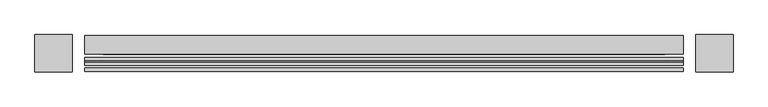
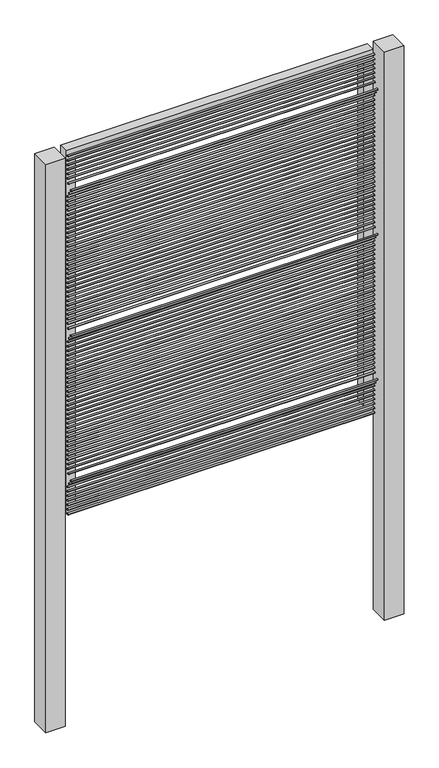
"""IFC4 building model written with IfcOpenShell, lengths in millimetres: railing geometry."""

from ifc_helpers import new_model, si_unit, point, frame, frame_2d, origin, place, context, project, spatial, polyline, circle_curve, trimmed, segment, composite_curve, outline, extrude, source, transform, mapped, element, save


def railing_cc1b6661(model_context):
    return source(origin(), model_context, "Body", "SweptSolid", [
        extrude(outline(composite_curve([segment(trimmed(circle_curve(frame_2d((13579.8304142, 28.575)), 3.175), [point((13576.6554142, 28.575))], [point((13583.0054142, 28.575))], False, "CARTESIAN"), True, "CONTINUOUS"), segment(trimmed(circle_curve(frame_2d((13579.8304142, 28.575)), 3.175), [point((13583.0054142, 28.575))], [point((13576.6554142, 28.575))], False, "CARTESIAN"), True, "CONTINUOUS")], self_intersect=False)), frame((-18083.7806958, 0.0, 0.0), z_axis=(1.0, 0.0, 0.0), x_axis=(0.0, 1.0, 0.0)), (0.0, 0.0, 1.0), 1219.2),
        extrude(outline(composite_curve([segment(trimmed(circle_curve(frame_2d((13579.8304142, 47.625)), 3.175), [point((13576.6554142, 47.625))], [point((13583.0054142, 47.625))], False, "CARTESIAN"), True, "CONTINUOUS"), segment(trimmed(circle_curve(frame_2d((13579.8304142, 47.625)), 3.175), [point((13583.0054142, 47.625))], [point((13576.6554142, 47.625))], False, "CARTESIAN"), True, "CONTINUOUS")], self_intersect=False)), frame((-18083.7806958, 0.0, 0.0), z_axis=(1.0, 0.0, 0.0), x_axis=(0.0, 1.0, 0.0)), (0.0, 0.0, 1.0), 1219.2),
        extrude(outline(composite_curve([segment(trimmed(circle_curve(frame_2d((13579.8304142, 66.675)), 3.175), [point((13576.6554142, 66.675))], [point((13583.0054142, 66.675))], False, "CARTESIAN"), True, "CONTINUOUS"), segment(trimmed(circle_curve(frame_2d((13579.8304142, 66.675)), 3.175), [point((13583.0054142, 66.675))], [point((13576.6554142, 66.675))], False, "CARTESIAN"), True, "CONTINUOUS")], self_intersect=False)), frame((-18083.7806958, 0.0, 0.0), z_axis=(1.0, 0.0, 0.0), x_axis=(0.0, 1.0, 0.0)), (0.0, 0.0, 1.0), 1219.2),
        extrude(outline(composite_curve([segment(trimmed(circle_curve(frame_2d((13579.8304142, 85.725)), 3.175), [point((13576.6554142, 85.725))], [point((13583.0054142, 85.725))], False, "CARTESIAN"), True, "CONTINUOUS"), segment(trimmed(circle_curve(frame_2d((13579.8304142, 85.725)), 3.175), [point((13583.0054142, 85.725))], [point((13576.6554142, 85.725))], False, "CARTESIAN"), True, "CONTINUOUS")], self_intersect=False)), frame((-18083.7806958, 0.0, 0.0), z_axis=(1.0, 0.0, 0.0), x_axis=(0.0, 1.0, 0.0)), (0.0, 0.0, 1.0), 1219.2),
        extrude(outline(composite_curve([segment(trimmed(circle_curve(frame_2d((13579.8304142, 104.775)), 3.175), [point((13576.6554142, 104.775))], [point((13583.0054142, 104.775))], False, "CARTESIAN"), True, "CONTINUOUS"), segment(trimmed(circle_curve(frame_2d((13579.8304142, 104.775)), 3.175), [point((13583.0054142, 104.775))], [point((13576.6554142, 104.775))], False, "CARTESIAN"), True, "CONTINUOUS")], self_intersect=False)), frame((-18083.7806958, 0.0, 0.0), z_axis=(1.0, 0.0, 0.0), x_axis=(0.0, 1.0, 0.0)), (0.0, 0.0, 1.0), 1219.2),
        extrude(outline(composite_curve([segment(trimmed(circle_curve(frame_2d((13579.8304142, 123.825)), 3.175), [point((13576.6554142, 123.825))], [point((13583.0054142, 123.825))], False, "CARTESIAN"), True, "CONTINUOUS"), segment(trimmed(circle_curve(frame_2d((13579.8304142, 123.825)), 3.175), [point((13583.0054142, 123.825))], [point((13576.6554142, 123.825))], False, "CARTESIAN"), True, "CONTINUOUS")], self_intersect=False)), frame((-18083.7806958, 0.0, 0.0), z_axis=(1.0, 0.0, 0.0), x_axis=(0.0, 1.0, 0.0)), (0.0, 0.0, 1.0), 1219.2),
        extrude(outline(composite_curve([segment(trimmed(circle_curve(frame_2d((13579.8304142, 142.875)), 3.175), [point((13576.6554142, 142.875))], [point((13583.0054142, 142.875))], False, "CARTESIAN"), True, "CONTINUOUS"), segment(trimmed(circle_curve(frame_2d((13579.8304142, 142.875)), 3.175), [point((13583.0054142, 142.875))], [point((13576.6554142, 142.875))], False, "CARTESIAN"), True, "CONTINUOUS")], self_intersect=False)), frame((-18083.7806958, 0.0, 0.0), z_axis=(1.0, 0.0, 0.0), x_axis=(0.0, 1.0, 0.0)), (0.0, 0.0, 1.0), 1219.2),
        extrude(outline(composite_curve([segment(trimmed(circle_curve(frame_2d((13570.1771382, 161.925)), 3.175), [point((13567.0021382, 161.925))], [point((13573.3521382, 161.925))], False, "CARTESIAN"), True, "CONTINUOUS"), segment(trimmed(circle_curve(frame_2d((13570.1771382, 161.925)), 3.175), [point((13573.3521382, 161.925))], [point((13567.0021382, 161.925))], False, "CARTESIAN"), True, "CONTINUOUS")], self_intersect=False)), frame((-18083.7806958, 0.0, 0.0), z_axis=(1.0, 0.0, 0.0), x_axis=(0.0, 1.0, 0.0)), (0.0, 0.0, 1.0), 1219.2),
        extrude(outline(composite_curve([segment(trimmed(circle_curve(frame_2d((13557.4771382, 180.975)), 3.175), [point((13554.3021382, 180.975))], [point((13560.6521382, 180.975))], False, "CARTESIAN"), True, "CONTINUOUS"), segment(trimmed(circle_curve(frame_2d((13557.4771382, 180.975)), 3.175), [point((13560.6521382, 180.975))], [point((13554.3021382, 180.975))], False, "CARTESIAN"), True, "CONTINUOUS")], self_intersect=False)), frame((-18083.7806958, 0.0, 0.0), z_axis=(1.0, 0.0, 0.0), x_axis=(0.0, 1.0, 0.0)), (0.0, 0.0, 1.0), 1219.2),
        extrude(outline(composite_curve([segment(trimmed(circle_curve(frame_2d((13576.2585392, 200.025)), 3.175), [point((13573.0835392, 200.025))], [point((13579.4335392, 200.025))], False, "CARTESIAN"), True, "CONTINUOUS"), segment(trimmed(circle_curve(frame_2d((13576.2585392, 200.025)), 3.175), [point((13579.4335392, 200.025))], [point((13573.0835392, 200.025))], False, "CARTESIAN"), True, "CONTINUOUS")], self_intersect=False)), frame((-18083.7806958, 0.0, 0.0), z_axis=(1.0, 0.0, 0.0), x_axis=(0.0, 1.0, 0.0)), (0.0, 0.0, 1.0), 1219.2),
        extrude(outline(composite_curve([segment(trimmed(circle_curve(frame_2d((13579.8304142, 219.075)), 3.175), [point((13576.6554142, 219.075))], [point((13583.0054142, 219.075))], False, "CARTESIAN"), True, "CONTINUOUS"), segment(trimmed(circle_curve(frame_2d((13579.8304142, 219.075)), 3.175), [point((13583.0054142, 219.075))], [point((13576.6554142, 219.075))], False, "CARTESIAN"), True, "CONTINUOUS")], self_intersect=False)), frame((-18083.7806958, 0.0, 0.0), z_axis=(1.0, 0.0, 0.0), x_axis=(0.0, 1.0, 0.0)), (0.0, 0.0, 1.0), 1219.2),
        extrude(outline(composite_curve([segment(trimmed(circle_curve(frame_2d((13579.8304142, 238.125)), 3.175), [point((13576.6554142, 238.125))], [point((13583.0054142, 238.125))], False, "CARTESIAN"), True, "CONTINUOUS"), segment(trimmed(circle_curve(frame_2d((13579.8304142, 238.125)), 3.175), [point((13583.0054142, 238.125))], [point((13576.6554142, 238.125))], False, "CARTESIAN"), True, "CONTINUOUS")], self_intersect=False)), frame((-18083.7806958, 0.0, 0.0), z_axis=(1.0, 0.0, 0.0), x_axis=(0.0, 1.0, 0.0)), (0.0, 0.0, 1.0), 1219.2),
        extrude(outline(composite_curve([segment(trimmed(circle_curve(frame_2d((13579.8304142, 257.175)), 3.175), [point((13576.6554142, 257.175))], [point((13583.0054142, 257.175))], False, "CARTESIAN"), True, "CONTINUOUS"), segment(trimmed(circle_curve(frame_2d((13579.8304142, 257.175)), 3.175), [point((13583.0054142, 257.175))], [point((13576.6554142, 257.175))], False, "CARTESIAN"), True, "CONTINUOUS")], self_intersect=False)), frame((-18083.7806958, 0.0, 0.0), z_axis=(1.0, 0.0, 0.0), x_axis=(0.0, 1.0, 0.0)), (0.0, 0.0, 1.0), 1219.2),
        extrude(outline(composite_curve([segment(trimmed(circle_curve(frame_2d((13579.8304142, 276.225)), 3.175), [point((13576.6554142, 276.225))], [point((13583.0054142, 276.225))], False, "CARTESIAN"), True, "CONTINUOUS"), segment(trimmed(circle_curve(frame_2d((13579.8304142, 276.225)), 3.175), [point((13583.0054142, 276.225))], [point((13576.6554142, 276.225))], False, "CARTESIAN"), True, "CONTINUOUS")], self_intersect=False)), frame((-18083.7806958, 0.0, 0.0), z_axis=(1.0, 0.0, 0.0), x_axis=(0.0, 1.0, 0.0)), (0.0, 0.0, 1.0), 1219.2),
        extrude(outline(composite_curve([segment(trimmed(circle_curve(frame_2d((13579.8304142, 295.275)), 3.175), [point((13576.6554142, 295.275))], [point((13583.0054142, 295.275))], False, "CARTESIAN"), True, "CONTINUOUS"), segment(trimmed(circle_curve(frame_2d((13579.8304142, 295.275)), 3.175), [point((13583.0054142, 295.275))], [point((13576.6554142, 295.275))], False, "CARTESIAN"), True, "CONTINUOUS")], self_intersect=False)), frame((-18083.7806958, 0.0, 0.0), z_axis=(1.0, 0.0, 0.0), x_axis=(0.0, 1.0, 0.0)), (0.0, 0.0, 1.0), 1219.2),
        extrude(outline(composite_curve([segment(trimmed(circle_curve(frame_2d((13579.8304142, 314.325)), 3.175), [point((13576.6554142, 314.325))], [point((13583.0054142, 314.325))], False, "CARTESIAN"), True, "CONTINUOUS"), segment(trimmed(circle_curve(frame_2d((13579.8304142, 314.325)), 3.175), [point((13583.0054142, 314.325))], [point((13576.6554142, 314.325))], False, "CARTESIAN"), True, "CONTINUOUS")], self_intersect=False)), frame((-18083.7806958, 0.0, 0.0), z_axis=(1.0, 0.0, 0.0), x_axis=(0.0, 1.0, 0.0)), (0.0, 0.0, 1.0), 1219.2),
        extrude(outline(composite_curve([segment(trimmed(circle_curve(frame_2d((13579.8304142, 333.375)), 3.175), [point((13576.6554142, 333.375))], [point((13583.0054142, 333.375))], False, "CARTESIAN"), True, "CONTINUOUS"), segment(trimmed(circle_curve(frame_2d((13579.8304142, 333.375)), 3.175), [point((13583.0054142, 333.375))], [point((13576.6554142, 333.375))], False, "CARTESIAN"), True, "CONTINUOUS")], self_intersect=False)), frame((-18083.7806958, 0.0, 0.0), z_axis=(1.0, 0.0, 0.0), x_axis=(0.0, 1.0, 0.0)), (0.0, 0.0, 1.0), 1219.2),
        extrude(outline(composite_curve([segment(trimmed(circle_curve(frame_2d((13579.8304142, 352.425)), 3.175), [point((13576.6554142, 352.425))], [point((13583.0054142, 352.425))], False, "CARTESIAN"), True, "CONTINUOUS"), segment(trimmed(circle_curve(frame_2d((13579.8304142, 352.425)), 3.175), [point((13583.0054142, 352.425))], [point((13576.6554142, 352.425))], False, "CARTESIAN"), True, "CONTINUOUS")], self_intersect=False)), frame((-18083.7806958, 0.0, 0.0), z_axis=(1.0, 0.0, 0.0), x_axis=(0.0, 1.0, 0.0)), (0.0, 0.0, 1.0), 1219.2),
        extrude(outline(composite_curve([segment(trimmed(circle_curve(frame_2d((13579.8304142, 371.475)), 3.175), [point((13576.6554142, 371.475))], [point((13583.0054142, 371.475))], False, "CARTESIAN"), True, "CONTINUOUS"), segment(trimmed(circle_curve(frame_2d((13579.8304142, 371.475)), 3.175), [point((13583.0054142, 371.475))], [point((13576.6554142, 371.475))], False, "CARTESIAN"), True, "CONTINUOUS")], self_intersect=False)), frame((-18083.7806958, 0.0, 0.0), z_axis=(1.0, 0.0, 0.0), x_axis=(0.0, 1.0, 0.0)), (0.0, 0.0, 1.0), 1219.2),
        extrude(outline(composite_curve([segment(trimmed(circle_curve(frame_2d((13579.8304142, 390.525)), 3.175), [point((13576.6554142, 390.525))], [point((13583.0054142, 390.525))], False, "CARTESIAN"), True, "CONTINUOUS"), segment(trimmed(circle_curve(frame_2d((13579.8304142, 390.525)), 3.175), [point((13583.0054142, 390.525))], [point((13576.6554142, 390.525))], False, "CARTESIAN"), True, "CONTINUOUS")], self_intersect=False)), frame((-18083.7806958, 0.0, 0.0), z_axis=(1.0, 0.0, 0.0), x_axis=(0.0, 1.0, 0.0)), (0.0, 0.0, 1.0), 1219.2),
        extrude(outline(composite_curve([segment(trimmed(circle_curve(frame_2d((13579.8304142, 409.575)), 3.175), [point((13576.6554142, 409.575))], [point((13583.0054142, 409.575))], False, "CARTESIAN"), True, "CONTINUOUS"), segment(trimmed(circle_curve(frame_2d((13579.8304142, 409.575)), 3.175), [point((13583.0054142, 409.575))], [point((13576.6554142, 409.575))], False, "CARTESIAN"), True, "CONTINUOUS")], self_intersect=False)), frame((-18083.7806958, 0.0, 0.0), z_axis=(1.0, 0.0, 0.0), x_axis=(0.0, 1.0, 0.0)), (0.0, 0.0, 1.0), 1219.2),
        extrude(outline(composite_curve([segment(trimmed(circle_curve(frame_2d((13579.8304142, 428.625)), 3.175), [point((13576.6554142, 428.625))], [point((13583.0054142, 428.625))], False, "CARTESIAN"), True, "CONTINUOUS"), segment(trimmed(circle_curve(frame_2d((13579.8304142, 428.625)), 3.175), [point((13583.0054142, 428.625))], [point((13576.6554142, 428.625))], False, "CARTESIAN"), True, "CONTINUOUS")], self_intersect=False)), frame((-18083.7806958, 0.0, 0.0), z_axis=(1.0, 0.0, 0.0), x_axis=(0.0, 1.0, 0.0)), (0.0, 0.0, 1.0), 1219.2),
        extrude(outline(composite_curve([segment(trimmed(circle_curve(frame_2d((13579.8304142, 447.675)), 3.175), [point((13576.6554142, 447.675))], [point((13583.0054142, 447.675))], False, "CARTESIAN"), True, "CONTINUOUS"), segment(trimmed(circle_curve(frame_2d((13579.8304142, 447.675)), 3.175), [point((13583.0054142, 447.675))], [point((13576.6554142, 447.675))], False, "CARTESIAN"), True, "CONTINUOUS")], self_intersect=False)), frame((-18083.7806958, 0.0, 0.0), z_axis=(1.0, 0.0, 0.0), x_axis=(0.0, 1.0, 0.0)), (0.0, 0.0, 1.0), 1219.2),
        extrude(outline(composite_curve([segment(trimmed(circle_curve(frame_2d((13579.8304142, 466.725)), 3.175), [point((13576.6554142, 466.725))], [point((13583.0054142, 466.725))], False, "CARTESIAN"), True, "CONTINUOUS"), segment(trimmed(circle_curve(frame_2d((13579.8304142, 466.725)), 3.175), [point((13583.0054142, 466.725))], [point((13576.6554142, 466.725))], False, "CARTESIAN"), True, "CONTINUOUS")], self_intersect=False)), frame((-18083.7806958, 0.0, 0.0), z_axis=(1.0, 0.0, 0.0), x_axis=(0.0, 1.0, 0.0)), (0.0, 0.0, 1.0), 1219.2),
        extrude(outline(composite_curve([segment(trimmed(circle_curve(frame_2d((13579.8304142, 485.775)), 3.175), [point((13576.6554142, 485.775))], [point((13583.0054142, 485.775))], False, "CARTESIAN"), True, "CONTINUOUS"), segment(trimmed(circle_curve(frame_2d((13579.8304142, 485.775)), 3.175), [point((13583.0054142, 485.775))], [point((13576.6554142, 485.775))], False, "CARTESIAN"), True, "CONTINUOUS")], self_intersect=False)), frame((-18083.7806958, 0.0, 0.0), z_axis=(1.0, 0.0, 0.0), x_axis=(0.0, 1.0, 0.0)), (0.0, 0.0, 1.0), 1219.2),
        extrude(outline(composite_curve([segment(trimmed(circle_curve(frame_2d((13579.8304142, 504.825)), 3.175), [point((13576.6554142, 504.825))], [point((13583.0054142, 504.825))], False, "CARTESIAN"), True, "CONTINUOUS"), segment(trimmed(circle_curve(frame_2d((13579.8304142, 504.825)), 3.175), [point((13583.0054142, 504.825))], [point((13576.6554142, 504.825))], False, "CARTESIAN"), True, "CONTINUOUS")], self_intersect=False)), frame((-18083.7806958, 0.0, 0.0), z_axis=(1.0, 0.0, 0.0), x_axis=(0.0, 1.0, 0.0)), (0.0, 0.0, 1.0), 1219.2),
        extrude(outline(composite_curve([segment(trimmed(circle_curve(frame_2d((13579.8304142, 523.875)), 3.175), [point((13576.6554142, 523.875))], [point((13583.0054142, 523.875))], False, "CARTESIAN"), True, "CONTINUOUS"), segment(trimmed(circle_curve(frame_2d((13579.8304142, 523.875)), 3.175), [point((13583.0054142, 523.875))], [point((13576.6554142, 523.875))], False, "CARTESIAN"), True, "CONTINUOUS")], self_intersect=False)), frame((-18083.7806958, 0.0, 0.0), z_axis=(1.0, 0.0, 0.0), x_axis=(0.0, 1.0, 0.0)), (0.0, 0.0, 1.0), 1219.2),
        extrude(outline(composite_curve([segment(trimmed(circle_curve(frame_2d((13579.8304142, 542.925)), 3.175), [point((13576.6554142, 542.925))], [point((13583.0054142, 542.925))], False, "CARTESIAN"), True, "CONTINUOUS"), segment(trimmed(circle_curve(frame_2d((13579.8304142, 542.925)), 3.175), [point((13583.0054142, 542.925))], [point((13576.6554142, 542.925))], False, "CARTESIAN"), True, "CONTINUOUS")], self_intersect=False)), frame((-18083.7806958, 0.0, 0.0), z_axis=(1.0, 0.0, 0.0), x_axis=(0.0, 1.0, 0.0)), (0.0, 0.0, 1.0), 1219.2),
        extrude(outline(composite_curve([segment(trimmed(circle_curve(frame_2d((13579.8304142, 561.975)), 3.175), [point((13576.6554142, 561.975))], [point((13583.0054142, 561.975))], False, "CARTESIAN"), True, "CONTINUOUS"), segment(trimmed(circle_curve(frame_2d((13579.8304142, 561.975)), 3.175), [point((13583.0054142, 561.975))], [point((13576.6554142, 561.975))], False, "CARTESIAN"), True, "CONTINUOUS")], self_intersect=False)), frame((-18083.7806958, 0.0, 0.0), z_axis=(1.0, 0.0, 0.0), x_axis=(0.0, 1.0, 0.0)), (0.0, 0.0, 1.0), 1219.2),
        extrude(outline(composite_curve([segment(trimmed(circle_curve(frame_2d((13579.8304142, 581.025)), 3.175), [point((13576.6554142, 581.025))], [point((13583.0054142, 581.025))], False, "CARTESIAN"), True, "CONTINUOUS"), segment(trimmed(circle_curve(frame_2d((13579.8304142, 581.025)), 3.175), [point((13583.0054142, 581.025))], [point((13576.6554142, 581.025))], False, "CARTESIAN"), True, "CONTINUOUS")], self_intersect=False)), frame((-18083.7806958, 0.0, 0.0), z_axis=(1.0, 0.0, 0.0), x_axis=(0.0, 1.0, 0.0)), (0.0, 0.0, 1.0), 1219.2),
        extrude(outline(composite_curve([segment(trimmed(circle_curve(frame_2d((13579.8304142, 600.075)), 3.175), [point((13576.6554142, 600.075))], [point((13583.0054142, 600.075))], False, "CARTESIAN"), True, "CONTINUOUS"), segment(trimmed(circle_curve(frame_2d((13579.8304142, 600.075)), 3.175), [point((13583.0054142, 600.075))], [point((13576.6554142, 600.075))], False, "CARTESIAN"), True, "CONTINUOUS")], self_intersect=False)), frame((-18083.7806958, 0.0, 0.0), z_axis=(1.0, 0.0, 0.0), x_axis=(0.0, 1.0, 0.0)), (0.0, 0.0, 1.0), 1219.2),
        extrude(outline(composite_curve([segment(trimmed(circle_curve(frame_2d((13579.8304142, 619.125)), 3.175), [point((13576.6554142, 619.125))], [point((13583.0054142, 619.125))], False, "CARTESIAN"), True, "CONTINUOUS"), segment(trimmed(circle_curve(frame_2d((13579.8304142, 619.125)), 3.175), [point((13583.0054142, 619.125))], [point((13576.6554142, 619.125))], False, "CARTESIAN"), True, "CONTINUOUS")], self_intersect=False)), frame((-18083.7806958, 0.0, 0.0), z_axis=(1.0, 0.0, 0.0), x_axis=(0.0, 1.0, 0.0)), (0.0, 0.0, 1.0), 1219.2),
        extrude(outline(composite_curve([segment(trimmed(circle_curve(frame_2d((13579.8304142, 638.175)), 3.175), [point((13576.6554142, 638.175))], [point((13583.0054142, 638.175))], False, "CARTESIAN"), True, "CONTINUOUS"), segment(trimmed(circle_curve(frame_2d((13579.8304142, 638.175)), 3.175), [point((13583.0054142, 638.175))], [point((13576.6554142, 638.175))], False, "CARTESIAN"), True, "CONTINUOUS")], self_intersect=False)), frame((-18083.7806958, 0.0, 0.0), z_axis=(1.0, 0.0, 0.0), x_axis=(0.0, 1.0, 0.0)), (0.0, 0.0, 1.0), 1219.2),
        extrude(outline(composite_curve([segment(trimmed(circle_curve(frame_2d((13579.8304142, 657.225)), 3.175), [point((13576.6554142, 657.225))], [point((13583.0054142, 657.225))], False, "CARTESIAN"), True, "CONTINUOUS"), segment(trimmed(circle_curve(frame_2d((13579.8304142, 657.225)), 3.175), [point((13583.0054142, 657.225))], [point((13576.6554142, 657.225))], False, "CARTESIAN"), True, "CONTINUOUS")], self_intersect=False)), frame((-18083.7806958, 0.0, 0.0), z_axis=(1.0, 0.0, 0.0), x_axis=(0.0, 1.0, 0.0)), (0.0, 0.0, 1.0), 1219.2),
        extrude(outline(composite_curve([segment(trimmed(circle_curve(frame_2d((13579.8304142, 676.275)), 3.175), [point((13576.6554142, 676.275))], [point((13583.0054142, 676.275))], False, "CARTESIAN"), True, "CONTINUOUS"), segment(trimmed(circle_curve(frame_2d((13579.8304142, 676.275)), 3.175), [point((13583.0054142, 676.275))], [point((13576.6554142, 676.275))], False, "CARTESIAN"), True, "CONTINUOUS")], self_intersect=False)), frame((-18083.7806958, 0.0, 0.0), z_axis=(1.0, 0.0, 0.0), x_axis=(0.0, 1.0, 0.0)), (0.0, 0.0, 1.0), 1219.2),
        extrude(outline(composite_curve([segment(trimmed(circle_curve(frame_2d((13579.8304142, 695.325)), 3.175), [point((13576.6554142, 695.325))], [point((13583.0054142, 695.325))], False, "CARTESIAN"), True, "CONTINUOUS"), segment(trimmed(circle_curve(frame_2d((13579.8304142, 695.325)), 3.175), [point((13583.0054142, 695.325))], [point((13576.6554142, 695.325))], False, "CARTESIAN"), True, "CONTINUOUS")], self_intersect=False)), frame((-18083.7806958, 0.0, 0.0), z_axis=(1.0, 0.0, 0.0), x_axis=(0.0, 1.0, 0.0)), (0.0, 0.0, 1.0), 1219.2),
        extrude(outline(composite_curve([segment(trimmed(circle_curve(frame_2d((13579.8304142, 714.375)), 3.175), [point((13576.6554142, 714.375))], [point((13583.0054142, 714.375))], False, "CARTESIAN"), True, "CONTINUOUS"), segment(trimmed(circle_curve(frame_2d((13579.8304142, 714.375)), 3.175), [point((13583.0054142, 714.375))], [point((13576.6554142, 714.375))], False, "CARTESIAN"), True, "CONTINUOUS")], self_intersect=False)), frame((-18083.7806958, 0.0, 0.0), z_axis=(1.0, 0.0, 0.0), x_axis=(0.0, 1.0, 0.0)), (0.0, 0.0, 1.0), 1219.2),
        extrude(outline(composite_curve([segment(trimmed(circle_curve(frame_2d((13579.8304142, 733.425)), 3.175), [point((13576.6554142, 733.425))], [point((13583.0054142, 733.425))], False, "CARTESIAN"), True, "CONTINUOUS"), segment(trimmed(circle_curve(frame_2d((13579.8304142, 733.425)), 3.175), [point((13583.0054142, 733.425))], [point((13576.6554142, 733.425))], False, "CARTESIAN"), True, "CONTINUOUS")], self_intersect=False)), frame((-18083.7806958, 0.0, 0.0), z_axis=(1.0, 0.0, 0.0), x_axis=(0.0, 1.0, 0.0)), (0.0, 0.0, 1.0), 1219.2),
        extrude(outline(composite_curve([segment(trimmed(circle_curve(frame_2d((13579.8304142, 752.475)), 3.175), [point((13576.6554142, 752.475))], [point((13583.0054142, 752.475))], False, "CARTESIAN"), True, "CONTINUOUS"), segment(trimmed(circle_curve(frame_2d((13579.8304142, 752.475)), 3.175), [point((13583.0054142, 752.475))], [point((13576.6554142, 752.475))], False, "CARTESIAN"), True, "CONTINUOUS")], self_intersect=False)), frame((-18083.7806958, 0.0, 0.0), z_axis=(1.0, 0.0, 0.0), x_axis=(0.0, 1.0, 0.0)), (0.0, 0.0, 1.0), 1219.2),
        extrude(outline(composite_curve([segment(trimmed(circle_curve(frame_2d((13570.3054142, 771.525)), 3.175), [point((13567.1304142, 771.525))], [point((13573.4804142, 771.525))], False, "CARTESIAN"), True, "CONTINUOUS"), segment(trimmed(circle_curve(frame_2d((13570.3054142, 771.525)), 3.175), [point((13573.4804142, 771.525))], [point((13567.1304142, 771.525))], False, "CARTESIAN"), True, "CONTINUOUS")], self_intersect=False)), frame((-18083.7806958, 0.0, 0.0), z_axis=(1.0, 0.0, 0.0), x_axis=(0.0, 1.0, 0.0)), (0.0, 0.0, 1.0), 1219.2),
        extrude(outline(composite_curve([segment(trimmed(circle_curve(frame_2d((13557.6054142, 790.575)), 3.175), [point((13554.4304142, 790.575))], [point((13560.7804142, 790.575))], False, "CARTESIAN"), True, "CONTINUOUS"), segment(trimmed(circle_curve(frame_2d((13557.6054142, 790.575)), 3.175), [point((13560.7804142, 790.575))], [point((13554.4304142, 790.575))], False, "CARTESIAN"), True, "CONTINUOUS")], self_intersect=False)), frame((-18083.7806958, 0.0, 0.0), z_axis=(1.0, 0.0, 0.0), x_axis=(0.0, 1.0, 0.0)), (0.0, 0.0, 1.0), 1219.2),
        extrude(outline(composite_curve([segment(trimmed(circle_curve(frame_2d((13576.6554142, 809.625)), 3.175), [point((13573.4804142, 809.625))], [point((13579.8304142, 809.625))], False, "CARTESIAN"), True, "CONTINUOUS"), segment(trimmed(circle_curve(frame_2d((13576.6554142, 809.625)), 3.175), [point((13579.8304142, 809.625))], [point((13573.4804142, 809.625))], False, "CARTESIAN"), True, "CONTINUOUS")], self_intersect=False)), frame((-18083.7806958, 0.0, 0.0), z_axis=(1.0, 0.0, 0.0), x_axis=(0.0, 1.0, 0.0)), (0.0, 0.0, 1.0), 1219.2),
        extrude(outline(composite_curve([segment(trimmed(circle_curve(frame_2d((13579.8304142, 828.675)), 3.175), [point((13576.6554142, 828.675))], [point((13583.0054142, 828.675))], False, "CARTESIAN"), True, "CONTINUOUS"), segment(trimmed(circle_curve(frame_2d((13579.8304142, 828.675)), 3.175), [point((13583.0054142, 828.675))], [point((13576.6554142, 828.675))], False, "CARTESIAN"), True, "CONTINUOUS")], self_intersect=False)), frame((-18083.7806958, 0.0, 0.0), z_axis=(1.0, 0.0, 0.0), x_axis=(0.0, 1.0, 0.0)), (0.0, 0.0, 1.0), 1219.2),
        extrude(outline(composite_curve([segment(trimmed(circle_curve(frame_2d((13579.8304142, 847.725)), 3.175), [point((13576.6554142, 847.725))], [point((13583.0054142, 847.725))], False, "CARTESIAN"), True, "CONTINUOUS"), segment(trimmed(circle_curve(frame_2d((13579.8304142, 847.725)), 3.175), [point((13583.0054142, 847.725))], [point((13576.6554142, 847.725))], False, "CARTESIAN"), True, "CONTINUOUS")], self_intersect=False)), frame((-18083.7806958, 0.0, 0.0), z_axis=(1.0, 0.0, 0.0), x_axis=(0.0, 1.0, 0.0)), (0.0, 0.0, 1.0), 1219.2),
        extrude(outline(composite_curve([segment(trimmed(circle_curve(frame_2d((13579.8304142, 866.775)), 3.175), [point((13576.6554142, 866.775))], [point((13583.0054142, 866.775))], False, "CARTESIAN"), True, "CONTINUOUS"), segment(trimmed(circle_curve(frame_2d((13579.8304142, 866.775)), 3.175), [point((13583.0054142, 866.775))], [point((13576.6554142, 866.775))], False, "CARTESIAN"), True, "CONTINUOUS")], self_intersect=False)), frame((-18083.7806958, 0.0, 0.0), z_axis=(1.0, 0.0, 0.0), x_axis=(0.0, 1.0, 0.0)), (0.0, 0.0, 1.0), 1219.2),
        extrude(outline(composite_curve([segment(trimmed(circle_curve(frame_2d((13579.8304142, 885.825)), 3.175), [point((13576.6554142, 885.825))], [point((13583.0054142, 885.825))], False, "CARTESIAN"), True, "CONTINUOUS"), segment(trimmed(circle_curve(frame_2d((13579.8304142, 885.825)), 3.175), [point((13583.0054142, 885.825))], [point((13576.6554142, 885.825))], False, "CARTESIAN"), True, "CONTINUOUS")], self_intersect=False)), frame((-18083.7806958, 0.0, 0.0), z_axis=(1.0, 0.0, 0.0), x_axis=(0.0, 1.0, 0.0)), (0.0, 0.0, 1.0), 1219.2),
        extrude(outline(composite_curve([segment(trimmed(circle_curve(frame_2d((13579.8304142, 904.875)), 3.175), [point((13576.6554142, 904.875))], [point((13583.0054142, 904.875))], False, "CARTESIAN"), True, "CONTINUOUS"), segment(trimmed(circle_curve(frame_2d((13579.8304142, 904.875)), 3.175), [point((13583.0054142, 904.875))], [point((13576.6554142, 904.875))], False, "CARTESIAN"), True, "CONTINUOUS")], self_intersect=False)), frame((-18083.7806958, 0.0, 0.0), z_axis=(1.0, 0.0, 0.0), x_axis=(0.0, 1.0, 0.0)), (0.0, 0.0, 1.0), 1219.2),
        extrude(outline(composite_curve([segment(trimmed(circle_curve(frame_2d((13579.8304142, 923.925)), 3.175), [point((13576.6554142, 923.925))], [point((13583.0054142, 923.925))], False, "CARTESIAN"), True, "CONTINUOUS"), segment(trimmed(circle_curve(frame_2d((13579.8304142, 923.925)), 3.175), [point((13583.0054142, 923.925))], [point((13576.6554142, 923.925))], False, "CARTESIAN"), True, "CONTINUOUS")], self_intersect=False)), frame((-18083.7806958, 0.0, 0.0), z_axis=(1.0, 0.0, 0.0), x_axis=(0.0, 1.0, 0.0)), (0.0, 0.0, 1.0), 1219.2),
        extrude(outline(composite_curve([segment(trimmed(circle_curve(frame_2d((13579.8304142, 942.975)), 3.175), [point((13576.6554142, 942.975))], [point((13583.0054142, 942.975))], False, "CARTESIAN"), True, "CONTINUOUS"), segment(trimmed(circle_curve(frame_2d((13579.8304142, 942.975)), 3.175), [point((13583.0054142, 942.975))], [point((13576.6554142, 942.975))], False, "CARTESIAN"), True, "CONTINUOUS")], self_intersect=False)), frame((-18083.7806958, 0.0, 0.0), z_axis=(1.0, 0.0, 0.0), x_axis=(0.0, 1.0, 0.0)), (0.0, 0.0, 1.0), 1219.2),
        extrude(outline(composite_curve([segment(trimmed(circle_curve(frame_2d((13579.8304142, 962.025)), 3.175), [point((13576.6554142, 962.025))], [point((13583.0054142, 962.025))], False, "CARTESIAN"), True, "CONTINUOUS"), segment(trimmed(circle_curve(frame_2d((13579.8304142, 962.025)), 3.175), [point((13583.0054142, 962.025))], [point((13576.6554142, 962.025))], False, "CARTESIAN"), True, "CONTINUOUS")], self_intersect=False)), frame((-18083.7806958, 0.0, 0.0), z_axis=(1.0, 0.0, 0.0), x_axis=(0.0, 1.0, 0.0)), (0.0, 0.0, 1.0), 1219.2),
        extrude(outline(composite_curve([segment(trimmed(circle_curve(frame_2d((13579.8304142, 981.075)), 3.175), [point((13576.6554142, 981.075))], [point((13583.0054142, 981.075))], False, "CARTESIAN"), True, "CONTINUOUS"), segment(trimmed(circle_curve(frame_2d((13579.8304142, 981.075)), 3.175), [point((13583.0054142, 981.075))], [point((13576.6554142, 981.075))], False, "CARTESIAN"), True, "CONTINUOUS")], self_intersect=False)), frame((-18083.7806958, 0.0, 0.0), z_axis=(1.0, 0.0, 0.0), x_axis=(0.0, 1.0, 0.0)), (0.0, 0.0, 1.0), 1219.2),
        extrude(outline(composite_curve([segment(trimmed(circle_curve(frame_2d((13579.8304142, 1000.125)), 3.175), [point((13576.6554142, 1000.125))], [point((13583.0054142, 1000.125))], False, "CARTESIAN"), True, "CONTINUOUS"), segment(trimmed(circle_curve(frame_2d((13579.8304142, 1000.125)), 3.175), [point((13583.0054142, 1000.125))], [point((13576.6554142, 1000.125))], False, "CARTESIAN"), True, "CONTINUOUS")], self_intersect=False)), frame((-18083.7806958, 0.0, 0.0), z_axis=(1.0, 0.0, 0.0), x_axis=(0.0, 1.0, 0.0)), (0.0, 0.0, 1.0), 1219.2),
        extrude(outline(composite_curve([segment(trimmed(circle_curve(frame_2d((13579.8304142, 1019.175)), 3.175), [point((13576.6554142, 1019.175))], [point((13583.0054142, 1019.175))], False, "CARTESIAN"), True, "CONTINUOUS"), segment(trimmed(circle_curve(frame_2d((13579.8304142, 1019.175)), 3.175), [point((13583.0054142, 1019.175))], [point((13576.6554142, 1019.175))], False, "CARTESIAN"), True, "CONTINUOUS")], self_intersect=False)), frame((-18083.7806958, 0.0, 0.0), z_axis=(1.0, 0.0, 0.0), x_axis=(0.0, 1.0, 0.0)), (0.0, 0.0, 1.0), 1219.2),
        extrude(outline(composite_curve([segment(trimmed(circle_curve(frame_2d((13579.8304142, 1038.225)), 3.175), [point((13576.6554142, 1038.225))], [point((13583.0054142, 1038.225))], False, "CARTESIAN"), True, "CONTINUOUS"), segment(trimmed(circle_curve(frame_2d((13579.8304142, 1038.225)), 3.175), [point((13583.0054142, 1038.225))], [point((13576.6554142, 1038.225))], False, "CARTESIAN"), True, "CONTINUOUS")], self_intersect=False)), frame((-18083.7806958, 0.0, 0.0), z_axis=(1.0, 0.0, 0.0), x_axis=(0.0, 1.0, 0.0)), (0.0, 0.0, 1.0), 1219.2),
        extrude(outline(composite_curve([segment(trimmed(circle_curve(frame_2d((13579.8304142, 1057.275)), 3.175), [point((13576.6554142, 1057.275))], [point((13583.0054142, 1057.275))], False, "CARTESIAN"), True, "CONTINUOUS"), segment(trimmed(circle_curve(frame_2d((13579.8304142, 1057.275)), 3.175), [point((13583.0054142, 1057.275))], [point((13576.6554142, 1057.275))], False, "CARTESIAN"), True, "CONTINUOUS")], self_intersect=False)), frame((-18083.7806958, 0.0, 0.0), z_axis=(1.0, 0.0, 0.0), x_axis=(0.0, 1.0, 0.0)), (0.0, 0.0, 1.0), 1219.2),
        extrude(outline(composite_curve([segment(trimmed(circle_curve(frame_2d((13579.8304142, 1076.325)), 3.175), [point((13576.6554142, 1076.325))], [point((13583.0054142, 1076.325))], False, "CARTESIAN"), True, "CONTINUOUS"), segment(trimmed(circle_curve(frame_2d((13579.8304142, 1076.325)), 3.175), [point((13583.0054142, 1076.325))], [point((13576.6554142, 1076.325))], False, "CARTESIAN"), True, "CONTINUOUS")], self_intersect=False)), frame((-18083.7806958, 0.0, 0.0), z_axis=(1.0, 0.0, 0.0), x_axis=(0.0, 1.0, 0.0)), (0.0, 0.0, 1.0), 1219.2),
        extrude(outline(composite_curve([segment(trimmed(circle_curve(frame_2d((13579.8304142, 1095.375)), 3.175), [point((13576.6554142, 1095.375))], [point((13583.0054142, 1095.375))], False, "CARTESIAN"), True, "CONTINUOUS"), segment(trimmed(circle_curve(frame_2d((13579.8304142, 1095.375)), 3.175), [point((13583.0054142, 1095.375))], [point((13576.6554142, 1095.375))], False, "CARTESIAN"), True, "CONTINUOUS")], self_intersect=False)), frame((-18083.7806958, 0.0, 0.0), z_axis=(1.0, 0.0, 0.0), x_axis=(0.0, 1.0, 0.0)), (0.0, 0.0, 1.0), 1219.2),
        extrude(outline(composite_curve([segment(trimmed(circle_curve(frame_2d((13579.8304142, 1114.425)), 3.175), [point((13576.6554142, 1114.425))], [point((13583.0054142, 1114.425))], False, "CARTESIAN"), True, "CONTINUOUS"), segment(trimmed(circle_curve(frame_2d((13579.8304142, 1114.425)), 3.175), [point((13583.0054142, 1114.425))], [point((13576.6554142, 1114.425))], False, "CARTESIAN"), True, "CONTINUOUS")], self_intersect=False)), frame((-18083.7806958, 0.0, 0.0), z_axis=(1.0, 0.0, 0.0), x_axis=(0.0, 1.0, 0.0)), (0.0, 0.0, 1.0), 1219.2),
        extrude(outline(composite_curve([segment(trimmed(circle_curve(frame_2d((13579.8304142, 1133.475)), 3.175), [point((13576.6554142, 1133.475))], [point((13583.0054142, 1133.475))], False, "CARTESIAN"), True, "CONTINUOUS"), segment(trimmed(circle_curve(frame_2d((13579.8304142, 1133.475)), 3.175), [point((13583.0054142, 1133.475))], [point((13576.6554142, 1133.475))], False, "CARTESIAN"), True, "CONTINUOUS")], self_intersect=False)), frame((-18083.7806958, 0.0, 0.0), z_axis=(1.0, 0.0, 0.0), x_axis=(0.0, 1.0, 0.0)), (0.0, 0.0, 1.0), 1219.2),
        extrude(outline(composite_curve([segment(trimmed(circle_curve(frame_2d((13579.8304142, 1152.525)), 3.175), [point((13576.6554142, 1152.525))], [point((13583.0054142, 1152.525))], False, "CARTESIAN"), True, "CONTINUOUS"), segment(trimmed(circle_curve(frame_2d((13579.8304142, 1152.525)), 3.175), [point((13583.0054142, 1152.525))], [point((13576.6554142, 1152.525))], False, "CARTESIAN"), True, "CONTINUOUS")], self_intersect=False)), frame((-18083.7806958, 0.0, 0.0), z_axis=(1.0, 0.0, 0.0), x_axis=(0.0, 1.0, 0.0)), (0.0, 0.0, 1.0), 1219.2),
        extrude(outline(composite_curve([segment(trimmed(circle_curve(frame_2d((13579.8304142, 1171.575)), 3.175), [point((13576.6554142, 1171.575))], [point((13583.0054142, 1171.575))], False, "CARTESIAN"), True, "CONTINUOUS"), segment(trimmed(circle_curve(frame_2d((13579.8304142, 1171.575)), 3.175), [point((13583.0054142, 1171.575))], [point((13576.6554142, 1171.575))], False, "CARTESIAN"), True, "CONTINUOUS")], self_intersect=False)), frame((-18083.7806958, 0.0, 0.0), z_axis=(1.0, 0.0, 0.0), x_axis=(0.0, 1.0, 0.0)), (0.0, 0.0, 1.0), 1219.2),
        extrude(outline(composite_curve([segment(trimmed(circle_curve(frame_2d((13579.8304142, 1190.625)), 3.175), [point((13576.6554142, 1190.625))], [point((13583.0054142, 1190.625))], False, "CARTESIAN"), True, "CONTINUOUS"), segment(trimmed(circle_curve(frame_2d((13579.8304142, 1190.625)), 3.175), [point((13583.0054142, 1190.625))], [point((13576.6554142, 1190.625))], False, "CARTESIAN"), True, "CONTINUOUS")], self_intersect=False)), frame((-18083.7806958, 0.0, 0.0), z_axis=(1.0, 0.0, 0.0), x_axis=(0.0, 1.0, 0.0)), (0.0, 0.0, 1.0), 1219.2),
        extrude(outline(composite_curve([segment(trimmed(circle_curve(frame_2d((13579.8304142, 1209.675)), 3.175), [point((13576.6554142, 1209.675))], [point((13583.0054142, 1209.675))], False, "CARTESIAN"), True, "CONTINUOUS"), segment(trimmed(circle_curve(frame_2d((13579.8304142, 1209.675)), 3.175), [point((13583.0054142, 1209.675))], [point((13576.6554142, 1209.675))], False, "CARTESIAN"), True, "CONTINUOUS")], self_intersect=False)), frame((-18083.7806958, 0.0, 0.0), z_axis=(1.0, 0.0, 0.0), x_axis=(0.0, 1.0, 0.0)), (0.0, 0.0, 1.0), 1219.2),
        extrude(outline(composite_curve([segment(trimmed(circle_curve(frame_2d((13579.8304142, 1228.725)), 3.175), [point((13576.6554142, 1228.725))], [point((13583.0054142, 1228.725))], False, "CARTESIAN"), True, "CONTINUOUS"), segment(trimmed(circle_curve(frame_2d((13579.8304142, 1228.725)), 3.175), [point((13583.0054142, 1228.725))], [point((13576.6554142, 1228.725))], False, "CARTESIAN"), True, "CONTINUOUS")], self_intersect=False)), frame((-18083.7806958, 0.0, 0.0), z_axis=(1.0, 0.0, 0.0), x_axis=(0.0, 1.0, 0.0)), (0.0, 0.0, 1.0), 1219.2),
        extrude(outline(composite_curve([segment(trimmed(circle_curve(frame_2d((13579.8304142, 1247.775)), 3.175), [point((13576.6554142, 1247.775))], [point((13583.0054142, 1247.775))], False, "CARTESIAN"), True, "CONTINUOUS"), segment(trimmed(circle_curve(frame_2d((13579.8304142, 1247.775)), 3.175), [point((13583.0054142, 1247.775))], [point((13576.6554142, 1247.775))], False, "CARTESIAN"), True, "CONTINUOUS")], self_intersect=False)), frame((-18083.7806958, 0.0, 0.0), z_axis=(1.0, 0.0, 0.0), x_axis=(0.0, 1.0, 0.0)), (0.0, 0.0, 1.0), 1219.2),
        extrude(outline(composite_curve([segment(trimmed(circle_curve(frame_2d((13579.8304142, 1266.825)), 3.175), [point((13576.6554142, 1266.825))], [point((13583.0054142, 1266.825))], False, "CARTESIAN"), True, "CONTINUOUS"), segment(trimmed(circle_curve(frame_2d((13579.8304142, 1266.825)), 3.175), [point((13583.0054142, 1266.825))], [point((13576.6554142, 1266.825))], False, "CARTESIAN"), True, "CONTINUOUS")], self_intersect=False)), frame((-18083.7806958, 0.0, 0.0), z_axis=(1.0, 0.0, 0.0), x_axis=(0.0, 1.0, 0.0)), (0.0, 0.0, 1.0), 1219.2),
        extrude(outline(composite_curve([segment(trimmed(circle_curve(frame_2d((13579.8304142, 1285.875)), 3.175), [point((13576.6554142, 1285.875))], [point((13583.0054142, 1285.875))], False, "CARTESIAN"), True, "CONTINUOUS"), segment(trimmed(circle_curve(frame_2d((13579.8304142, 1285.875)), 3.175), [point((13583.0054142, 1285.875))], [point((13576.6554142, 1285.875))], False, "CARTESIAN"), True, "CONTINUOUS")], self_intersect=False)), frame((-18083.7806958, 0.0, 0.0), z_axis=(1.0, 0.0, 0.0), x_axis=(0.0, 1.0, 0.0)), (0.0, 0.0, 1.0), 1219.2),
        extrude(outline(composite_curve([segment(trimmed(circle_curve(frame_2d((13579.8304142, 1304.925)), 3.175), [point((13576.6554142, 1304.925))], [point((13583.0054142, 1304.925))], False, "CARTESIAN"), True, "CONTINUOUS"), segment(trimmed(circle_curve(frame_2d((13579.8304142, 1304.925)), 3.175), [point((13583.0054142, 1304.925))], [point((13576.6554142, 1304.925))], False, "CARTESIAN"), True, "CONTINUOUS")], self_intersect=False)), frame((-18083.7806958, 0.0, 0.0), z_axis=(1.0, 0.0, 0.0), x_axis=(0.0, 1.0, 0.0)), (0.0, 0.0, 1.0), 1219.2),
        extrude(outline(composite_curve([segment(trimmed(circle_curve(frame_2d((13579.8304142, 1323.975)), 3.175), [point((13576.6554142, 1323.975))], [point((13583.0054142, 1323.975))], False, "CARTESIAN"), True, "CONTINUOUS"), segment(trimmed(circle_curve(frame_2d((13579.8304142, 1323.975)), 3.175), [point((13583.0054142, 1323.975))], [point((13576.6554142, 1323.975))], False, "CARTESIAN"), True, "CONTINUOUS")], self_intersect=False)), frame((-18083.7806958, 0.0, 0.0), z_axis=(1.0, 0.0, 0.0), x_axis=(0.0, 1.0, 0.0)), (0.0, 0.0, 1.0), 1219.2),
        extrude(outline(composite_curve([segment(trimmed(circle_curve(frame_2d((13579.8304142, 1343.025)), 3.175), [point((13576.6554142, 1343.025))], [point((13583.0054142, 1343.025))], False, "CARTESIAN"), True, "CONTINUOUS"), segment(trimmed(circle_curve(frame_2d((13579.8304142, 1343.025)), 3.175), [point((13583.0054142, 1343.025))], [point((13576.6554142, 1343.025))], False, "CARTESIAN"), True, "CONTINUOUS")], self_intersect=False)), frame((-18083.7806958, 0.0, 0.0), z_axis=(1.0, 0.0, 0.0), x_axis=(0.0, 1.0, 0.0)), (0.0, 0.0, 1.0), 1219.2),
        extrude(outline(composite_curve([segment(trimmed(circle_curve(frame_2d((13579.8304142, 1362.075)), 3.175), [point((13576.6554142, 1362.075))], [point((13583.0054142, 1362.075))], False, "CARTESIAN"), True, "CONTINUOUS"), segment(trimmed(circle_curve(frame_2d((13579.8304142, 1362.075)), 3.175), [point((13583.0054142, 1362.075))], [point((13576.6554142, 1362.075))], False, "CARTESIAN"), True, "CONTINUOUS")], self_intersect=False)), frame((-18083.7806958, 0.0, 0.0), z_axis=(1.0, 0.0, 0.0), x_axis=(0.0, 1.0, 0.0)), (0.0, 0.0, 1.0), 1219.2),
        extrude(outline(composite_curve([segment(trimmed(circle_curve(frame_2d((13569.5116642, 1381.125)), 3.175), [point((13566.3366642, 1381.125))], [point((13572.6866642, 1381.125))], False, "CARTESIAN"), True, "CONTINUOUS"), segment(trimmed(circle_curve(frame_2d((13569.5116642, 1381.125)), 3.175), [point((13572.6866642, 1381.125))], [point((13566.3366642, 1381.125))], False, "CARTESIAN"), True, "CONTINUOUS")], self_intersect=False)), frame((-18083.7806958, 0.0, 0.0), z_axis=(1.0, 0.0, 0.0), x_axis=(0.0, 1.0, 0.0)), (0.0, 0.0, 1.0), 1219.2),
        extrude(outline(composite_curve([segment(trimmed(circle_curve(frame_2d((13557.6054142, 1400.175)), 3.175), [point((13554.4304142, 1400.175))], [point((13560.7804142, 1400.175))], False, "CARTESIAN"), True, "CONTINUOUS"), segment(trimmed(circle_curve(frame_2d((13557.6054142, 1400.175)), 3.175), [point((13560.7804142, 1400.175))], [point((13554.4304142, 1400.175))], False, "CARTESIAN"), True, "CONTINUOUS")], self_intersect=False)), frame((-18083.7806958, 0.0, 0.0), z_axis=(1.0, 0.0, 0.0), x_axis=(0.0, 1.0, 0.0)), (0.0, 0.0, 1.0), 1219.2),
        extrude(outline(composite_curve([segment(trimmed(circle_curve(frame_2d((13576.6554142, 1419.225)), 3.175), [point((13573.4804142, 1419.225))], [point((13579.8304142, 1419.225))], False, "CARTESIAN"), True, "CONTINUOUS"), segment(trimmed(circle_curve(frame_2d((13576.6554142, 1419.225)), 3.175), [point((13579.8304142, 1419.225))], [point((13573.4804142, 1419.225))], False, "CARTESIAN"), True, "CONTINUOUS")], self_intersect=False)), frame((-18083.7806958, 0.0, 0.0), z_axis=(1.0, 0.0, 0.0), x_axis=(0.0, 1.0, 0.0)), (0.0, 0.0, 1.0), 1219.2),
        extrude(outline(composite_curve([segment(trimmed(circle_curve(frame_2d((13579.8304142, 1438.275)), 3.175), [point((13576.6554142, 1438.275))], [point((13583.0054142, 1438.275))], False, "CARTESIAN"), True, "CONTINUOUS"), segment(trimmed(circle_curve(frame_2d((13579.8304142, 1438.275)), 3.175), [point((13583.0054142, 1438.275))], [point((13576.6554142, 1438.275))], False, "CARTESIAN"), True, "CONTINUOUS")], self_intersect=False)), frame((-18083.7806958, 0.0, 0.0), z_axis=(1.0, 0.0, 0.0), x_axis=(0.0, 1.0, 0.0)), (0.0, 0.0, 1.0), 1219.2),
        extrude(outline(composite_curve([segment(trimmed(circle_curve(frame_2d((13579.8304142, 1457.325)), 3.175), [point((13576.6554142, 1457.325))], [point((13583.0054142, 1457.325))], False, "CARTESIAN"), True, "CONTINUOUS"), segment(trimmed(circle_curve(frame_2d((13579.8304142, 1457.325)), 3.175), [point((13583.0054142, 1457.325))], [point((13576.6554142, 1457.325))], False, "CARTESIAN"), True, "CONTINUOUS")], self_intersect=False)), frame((-18083.7806958, 0.0, 0.0), z_axis=(1.0, 0.0, 0.0), x_axis=(0.0, 1.0, 0.0)), (0.0, 0.0, 1.0), 1219.2),
        extrude(outline(composite_curve([segment(trimmed(circle_curve(frame_2d((13579.8304142, 1476.375)), 3.175), [point((13576.6554142, 1476.375))], [point((13583.0054142, 1476.375))], False, "CARTESIAN"), True, "CONTINUOUS"), segment(trimmed(circle_curve(frame_2d((13579.8304142, 1476.375)), 3.175), [point((13583.0054142, 1476.375))], [point((13576.6554142, 1476.375))], False, "CARTESIAN"), True, "CONTINUOUS")], self_intersect=False)), frame((-18083.7806958, 0.0, 0.0), z_axis=(1.0, 0.0, 0.0), x_axis=(0.0, 1.0, 0.0)), (0.0, 0.0, 1.0), 1219.2),
        extrude(outline(composite_curve([segment(trimmed(circle_curve(frame_2d((13579.8304142, 1495.425)), 3.175), [point((13576.6554142, 1495.425))], [point((13583.0054142, 1495.425))], False, "CARTESIAN"), True, "CONTINUOUS"), segment(trimmed(circle_curve(frame_2d((13579.8304142, 1495.425)), 3.175), [point((13583.0054142, 1495.425))], [point((13576.6554142, 1495.425))], False, "CARTESIAN"), True, "CONTINUOUS")], self_intersect=False)), frame((-18083.7806958, 0.0, 0.0), z_axis=(1.0, 0.0, 0.0), x_axis=(0.0, 1.0, 0.0)), (0.0, 0.0, 1.0), 1219.2),
        extrude(outline(composite_curve([segment(trimmed(circle_curve(frame_2d((13579.8304142, 1514.475)), 3.175), [point((13576.6554142, 1514.475))], [point((13583.0054142, 1514.475))], False, "CARTESIAN"), True, "CONTINUOUS"), segment(trimmed(circle_curve(frame_2d((13579.8304142, 1514.475)), 3.175), [point((13583.0054142, 1514.475))], [point((13576.6554142, 1514.475))], False, "CARTESIAN"), True, "CONTINUOUS")], self_intersect=False)), frame((-18083.7806958, 0.0, 0.0), z_axis=(1.0, 0.0, 0.0), x_axis=(0.0, 1.0, 0.0)), (0.0, 0.0, 1.0), 1219.2),
        extrude(outline(composite_curve([segment(trimmed(circle_curve(frame_2d((13579.8304142, 1533.525)), 3.175), [point((13576.6554142, 1533.525))], [point((13583.0054142, 1533.525))], False, "CARTESIAN"), True, "CONTINUOUS"), segment(trimmed(circle_curve(frame_2d((13579.8304142, 1533.525)), 3.175), [point((13583.0054142, 1533.525))], [point((13576.6554142, 1533.525))], False, "CARTESIAN"), True, "CONTINUOUS")], self_intersect=False)), frame((-18083.7806958, 0.0, 0.0), z_axis=(1.0, 0.0, 0.0), x_axis=(0.0, 1.0, 0.0)), (0.0, 0.0, 1.0), 1219.2),
        extrude(outline(polyline([(1549.4, -16864.5806958), (1549.4, -18083.7806958), (25.4, -18083.7806958), (25.4, -16864.5806958), (1549.4, -16864.5806958)]), holes=[polyline([(1511.3, -16902.6806958), (63.5, -16902.6806958), (63.5, -18045.6806958), (1511.3, -18045.6806958), (1511.3, -16902.6806958)])]), frame((0.0, 13589.3554142, 0.0), z_axis=(0.0, 1.0, 0.0), x_axis=(0.0, 0.0, 1.0)), (0.0, 0.0, 1.0), 38.1),
        extrude(outline(polyline([(-16762.9806958, 13629.0429142), (-16762.9806958, 13552.8429142), (-16839.1806958, 13552.8429142), (-16839.1806958, 13629.0429142), (-16762.9806958, 13629.0429142)])), frame((0.0, 0.0, -838.2), z_axis=(0.0, 0.0, 1.0), x_axis=(1.0, 0.0, 0.0)), (0.0, 0.0, 1.0), 2387.6),
        extrude(outline(polyline([(-18109.1806958, 13629.0429142), (-18109.1806958, 13552.8429142), (-18185.3806958, 13552.8429142), (-18185.3806958, 13629.0429142), (-18109.1806958, 13629.0429142)])), frame((0.0, 0.0, -838.2), z_axis=(0.0, 0.0, 1.0), x_axis=(1.0, 0.0, 0.0)), (0.0, 0.0, 1.0), 2387.6),
    ])


if __name__ == "__main__":
    model = new_model("IFC4")
    model_context = context("Model", 3, world=origin())
    ifc_project = project(units=[si_unit("LENGTHUNIT", "METRE", prefix="MILLI")], contexts=[model_context])
    site = spatial("IfcSite", under=ifc_project)
    building = spatial("IfcBuilding", under=site)
    placement = place(None, origin())
    railing_shape = railing_cc1b6661(model_context)
    element("IfcRailing", 1, at=placement, inside=building, context=model_context, shape_type="MappedRepresentation", body=[
        mapped(railing_shape, transform((0.0, 0.0, 0.0), x_axis=(1.0, 0.0, 0.0), y_axis=(0.0, 1.0, 0.0), z_axis=(0.0, 0.0, 1.0))),
    ])
    save(model, "model.ifc")
